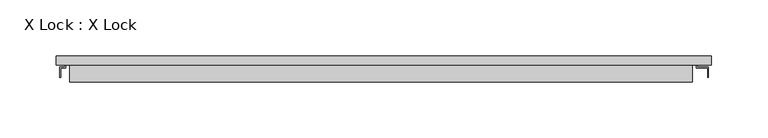
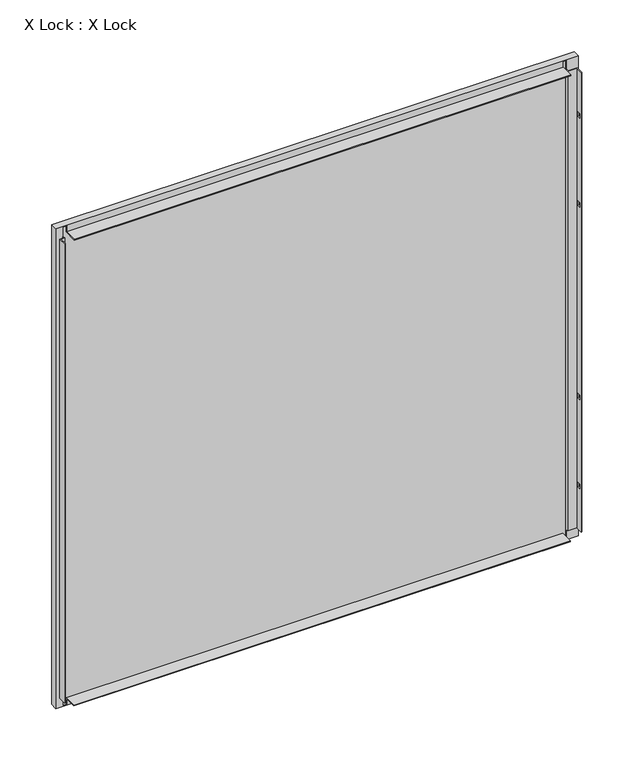
"""IFC4 building model written with IfcOpenShell, lengths in millimetres: plate geometry, X Lock : X Lock."""

from ifc_helpers import new_model, si_unit, frame, origin, place, context, project, spatial, polyline, outline, extrude, faceted_brep, source, transform, mapped, element, save


def x_lock_x_lock_7ccfce6f(model_context):
    return source(origin(), model_context, "Body", "SolidModel", [
        extrude(outline(polyline([(284.0000002, 7.2), (-279.0000002, 7.2), (-279.0000002, 8.0), (284.0000002, 8.0), (284.0000002, 7.2)])), frame((0.0, 0.0, 3.0), z_axis=(0.0, 0.0, 1.0), x_axis=(1.0, 0.0, 0.0)), (0.0, 0.0, 1.0), 546.0),
        faceted_brep([(294.0000002, 8.0, 559.0), (-289.0000002, 8.0, 559.0), (-289.0000002, 0.0, 559.0), (294.0000002, 0.0, 559.0), (-289.0000002, 8.0, -7.0), (-289.0000002, 0.0, -7.0), (294.0000002, 8.0, -7.0), (294.0000002, 0.0, -7.0), (293.2000002, 7.2, 558.2), (293.2000002, 7.2, -6.2), (293.2000002, 0.8, -6.2), (293.2000002, 0.8, 558.2), (-288.2000002, 7.2, -6.2), (-288.2000002, 0.8, -6.2), (-280.7000002, 0.8, -6.2), (-280.7000002, 0.0, -6.2), (-277.0000002, 0.0, -6.2), (-277.0000002, 0.8, -6.2), (277.0000002, 0.8, -6.2), (277.0000002, 0.0, -6.2), (280.7000002, 0.0, -6.2), (280.7000002, 0.8, -6.2), (-288.2000002, 7.2, 558.2), (-288.2000002, 0.8, 558.2), (280.7000002, 0.8, 558.2), (280.7000002, 0.0, 558.2), (277.0000002, 0.0, 558.2), (277.0000002, 0.8, 558.2), (-277.0000002, 0.8, 558.2), (-277.0000002, 0.0, 558.2), (-280.7000002, 0.0, 558.2), (-280.7000002, 0.8, 558.2), (-279.0000002, 7.2, 549.0), (284.0000002, 7.2, 549.0), (284.0000002, 7.2, 3.0), (-279.0000002, 7.2, 3.0), (-279.0000002, 8.0, 549.0), (-279.0000002, 8.0, 3.0), (284.0000002, 8.0, 3.0), (284.0000002, 8.0, 549.0), (280.7000002, -2.7949633, 547.0), (290.7000002, -2.7949633, 547.0), (290.7000002, -11.0, 547.0), (291.5000002, -11.0, 547.0), (291.5000002, -2.0, 547.0), (281.5000002, -2.0, 547.0), (281.5000002, 0.0, 547.0), (280.7000002, 0.0, 547.0), (281.5000002, 0.0, 5.0), (281.5000002, -2.0, 5.0), (291.5000002, -2.0, 5.0), (291.5000002, -11.0, 5.0), (290.7000002, -11.0, 5.0), (290.7000002, -2.7949633, 5.0), (280.7000002, -2.7949633, 5.0), (280.7000002, 0.0, 5.0), (290.7000002, -5.0, 392.0), (290.7000002, -9.0, 392.0), (290.7000002, -9.0, 387.0), (290.7000002, -5.0, 387.0), (290.7000002, -5.0, 60.0), (290.7000002, -9.0, 60.0), (290.7000002, -9.0, 55.0), (290.7000002, -5.0, 55.0), (290.7000002, -5.0, 497.0), (290.7000002, -9.0, 497.0), (290.7000002, -9.0, 492.0), (290.7000002, -5.0, 492.0), (290.7000002, -5.0, 165.0), (290.7000002, -9.0, 165.0), (290.7000002, -9.0, 160.0), (290.7000002, -5.0, 160.0), (291.5000002, -9.0, 392.0), (291.5000002, -5.0, 392.0), (291.5000002, -5.0, 387.0), (291.5000002, -9.0, 387.0), (291.5000002, -9.0, 60.0), (291.5000002, -5.0, 60.0), (291.5000002, -5.0, 55.0), (291.5000002, -9.0, 55.0), (291.5000002, -9.0, 497.0), (291.5000002, -5.0, 497.0), (291.5000002, -5.0, 492.0), (291.5000002, -9.0, 492.0), (291.5000002, -9.0, 165.0), (291.5000002, -5.0, 165.0), (291.5000002, -5.0, 160.0), (291.5000002, -9.0, 160.0), (-281.5000002, 0.0, 547.0), (-281.5000002, -2.0, 547.0), (-285.7000002, -2.0, 547.0), (-285.7000002, -11.0, 547.0), (-284.9000002, -11.0, 547.0), (-284.9000002, -2.7949633, 547.0), (-280.7000002, -2.7949633, 547.0), (-280.7000002, 0.0, 547.0), (-280.7000002, -2.7949633, 5.0), (-284.9000002, -2.7949633, 5.0), (-284.9000002, -11.0, 5.0), (-285.7000002, -11.0, 5.0), (-285.7000002, -2.0, 5.0), (-281.5000002, -2.0, 5.0), (-281.5000002, 0.0, 5.0), (-280.7000002, 0.0, 5.0), (-277.0000002, 0.8, 550.7), (-277.0000002, -15.0, 550.7), (-277.0000002, -15.0, 551.5), (-277.0000002, 0.0, 551.5), (277.0000002, 0.0, 551.5), (277.0000002, -15.0, 551.5), (277.0000002, -15.0, 550.7), (277.0000002, 0.8, 550.7), (-277.0000002, 0.0, 0.5), (-277.0000002, -14.2, 0.5), (-277.0000002, -14.2, 1.3), (-277.0000002, 0.8, 1.3), (277.0000002, 0.8, 1.3), (277.0000002, -14.2, 1.3), (277.0000002, -14.2, 0.5), (277.0000002, 0.0, 0.5)], [[[0, 1, 2, 3]], [[1, 4, 5, 2]], [[4, 6, 7, 5]], [[8, 9, 10, 11]], [[9, 12, 13, 14, 15, 16, 17, 18, 19, 20, 21, 10]], [[12, 22, 23, 13]], [[22, 8, 11, 24, 25, 26, 27, 28, 29, 30, 31, 23]], [[9, 8, 22, 12], [32, 33, 34, 35]], [[1, 0, 6, 4], [36, 37, 38, 39]], [[33, 32, 36, 39]], [[34, 33, 39, 38]], [[35, 34, 38, 37]], [[32, 35, 37, 36]], [[40, 41, 42, 43, 44, 45, 46, 47]], [[48, 49, 50, 51, 52, 53, 54, 55]], [[14, 13, 23, 31]], [[10, 21, 24, 11]], [[54, 40, 47, 25, 24, 21, 20, 55]], [[41, 40, 54, 53]], [[42, 41, 53, 52], [56, 57, 58, 59], [60, 61, 62, 63], [64, 65, 66, 67], [68, 69, 70, 71]], [[43, 42, 52, 51]], [[44, 43, 51, 50], [72, 73, 74, 75], [76, 77, 78, 79], [80, 81, 82, 83], [84, 85, 86, 87]], [[45, 44, 50, 49]], [[46, 45, 49, 48]], [[88, 89, 90, 91, 92, 93, 94, 95]], [[96, 97, 98, 99, 100, 101, 102, 103]], [[94, 96, 103, 15, 14, 31, 30, 95]], [[94, 93, 97, 96]], [[93, 92, 98, 97]], [[92, 91, 99, 98]], [[91, 90, 100, 99]], [[90, 89, 101, 100]], [[89, 88, 102, 101]], [[104, 105, 106, 107, 29, 28]], [[108, 109, 110, 111, 27, 26]], [[111, 104, 28, 27]], [[105, 104, 111, 110]], [[107, 106, 109, 108]], [[112, 113, 114, 115, 17, 16]], [[116, 117, 118, 119, 19, 18]], [[113, 112, 119, 118]], [[115, 114, 117, 116]], [[115, 116, 18, 17]], [[3, 7, 6, 0]], [[7, 3, 2, 5], [46, 48, 55, 20, 19, 119, 112, 16, 15, 103, 102, 88, 95, 30, 29, 107, 108, 26, 25, 47]], [[56, 73, 72, 57]], [[57, 72, 75, 58]], [[58, 75, 74, 59]], [[73, 56, 59, 74]], [[76, 61, 60, 77]], [[61, 76, 79, 62]], [[62, 79, 78, 63]], [[77, 60, 63, 78]], [[106, 105, 110, 109]], [[114, 113, 118, 117]], [[64, 81, 80, 65]], [[65, 80, 83, 66]], [[66, 83, 82, 67]], [[81, 64, 67, 82]], [[68, 85, 84, 69]], [[69, 84, 87, 70]], [[70, 87, 86, 71]], [[85, 68, 71, 86]]]),
        extrude(outline(polyline([(293.2000002, 5.5297993), (-288.2000002, 5.5297993), (-288.2000002, 7.2), (293.2000002, 7.2), (293.2000002, 5.5297993)])), frame((0.0, 0.0, -6.2), z_axis=(0.0, 0.0, 1.0), x_axis=(1.0, 0.0, 0.0)), (0.0, 0.0, 1.0), 564.4),
    ])


if __name__ == "__main__":
    model = new_model("IFC4")
    model_context = context("Model", 3, world=origin())
    ifc_project = project(units=[si_unit("LENGTHUNIT", "METRE", prefix="MILLI")], contexts=[model_context])
    site = spatial("IfcSite", under=ifc_project)
    building = spatial("IfcBuilding", under=site)
    placement = place(None, origin())
    x_lock_x_lock_shape = x_lock_x_lock_7ccfce6f(model_context)
    element("IfcPlate", 1, ObjectType="X Lock : X Lock", at=placement, inside=building, context=model_context, shape_type="MappedRepresentation", body=[
        mapped(x_lock_x_lock_shape, transform((0.0, 0.0, 0.0), x_axis=(1.0, 0.0, 0.0), y_axis=(0.0, 1.0, 0.0), z_axis=(0.0, 0.0, 1.0))),
    ])
    save(model, "model.ifc")
